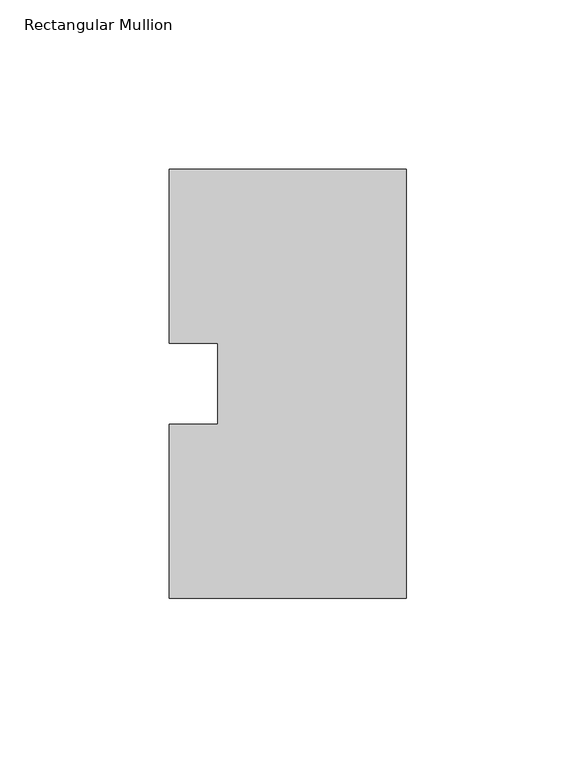
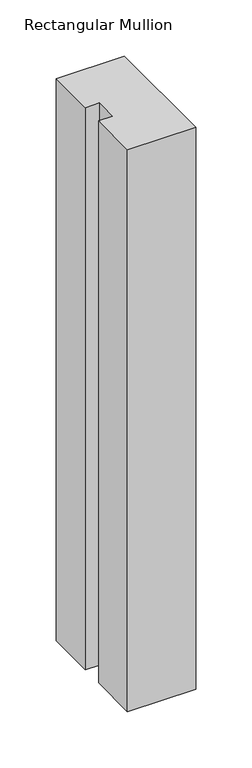
"""IFC4 building model written with IfcOpenShell, lengths in millimetres: member geometry, Rectangular Mullion."""

from ifc_helpers import new_model, si_unit, frame, origin, place, context, project, spatial, polyline, outline, extrude, source, transform, mapped, element, save


def rectangular_mullion_8a786027(model_context):
    return source(origin(), model_context, "Body", "SweptSolid", [
        extrude(outline(polyline([(0.0, 126.75235), (0.0, 0.26035), (-69.85, 0.26035), (-69.85, 51.60645), (-55.5625, 51.60645), (-55.5625, 75.40625), (-69.85, 75.40625), (-69.85, 126.75235), (0.0, 126.75235)])), frame((0.0, 0.0, -609.56825), z_axis=(0.0, 0.0, 1.0), x_axis=(1.0, 0.0, 0.0)), (0.0, 0.0, 1.0), 609.56825),
    ])


if __name__ == "__main__":
    model = new_model("IFC4")
    model_context = context("Model", 3, world=origin())
    ifc_project = project(units=[si_unit("LENGTHUNIT", "METRE", prefix="MILLI")], contexts=[model_context])
    site = spatial("IfcSite", under=ifc_project)
    building = spatial("IfcBuilding", under=site)
    placement = place(None, origin())
    rectangular_mullion_shape = rectangular_mullion_8a786027(model_context)
    element("IfcMember", 1, ObjectType="Rectangular Mullion", at=placement, inside=building, context=model_context, shape_type="MappedRepresentation", body=[
        mapped(rectangular_mullion_shape, transform((0.0, 0.0, 0.0), x_axis=(1.0, 0.0, 0.0), y_axis=(0.0, 1.0, 0.0), z_axis=(0.0, 0.0, 1.0))),
    ])
    save(model, "model.ifc")
